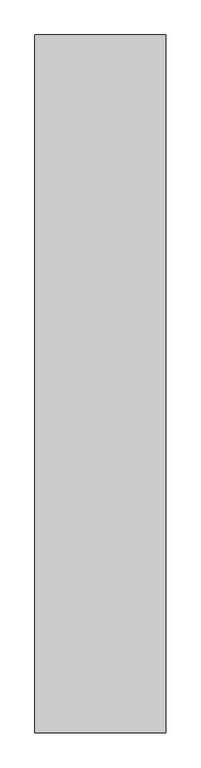
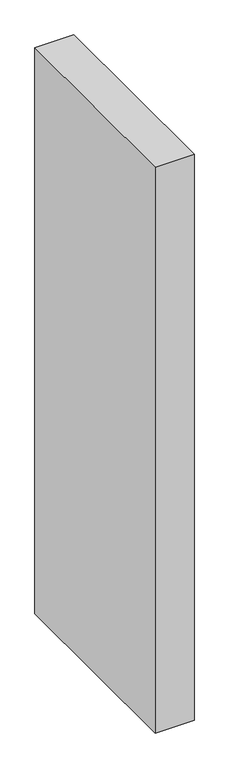
"""IFC4 building model written with IfcOpenShell, lengths in millimetres: proxy geometry."""

from ifc_helpers import new_model, si_unit, origin, origin_with_axes, place, context, project, spatial, polyline, outline, extrude, source, transform, mapped, element, save


def generic_models_67b514ba(model_context):
    return source(origin(), model_context, "Body", "SweptSolid", [
        extrude(outline(polyline([(300.0, 1600.0), (300.0, 0.0), (0.0, 0.0), (0.0, 1600.0), (300.0, 1600.0)])), origin_with_axes(), (0.0, 0.0, 1.0), 4600.0),
    ])


if __name__ == "__main__":
    model = new_model("IFC4")
    model_context = context("Model", 3, world=origin())
    ifc_project = project(units=[si_unit("LENGTHUNIT", "METRE", prefix="MILLI")], contexts=[model_context])
    site = spatial("IfcSite", under=ifc_project)
    building = spatial("IfcBuilding", under=site)
    placement = place(None, origin())
    generic_models_shape = generic_models_67b514ba(model_context)
    element("IfcBuildingElementProxy", 1, Name="Generic Models", at=placement, inside=building, context=model_context, shape_type="MappedRepresentation", body=[
        mapped(generic_models_shape, transform((0.0, 0.0, 0.0), x_axis=(1.0, 0.0, 0.0), y_axis=(0.0, 1.0, 0.0), z_axis=(0.0, 0.0, 1.0))),
    ])
    save(model, "model.ifc")
